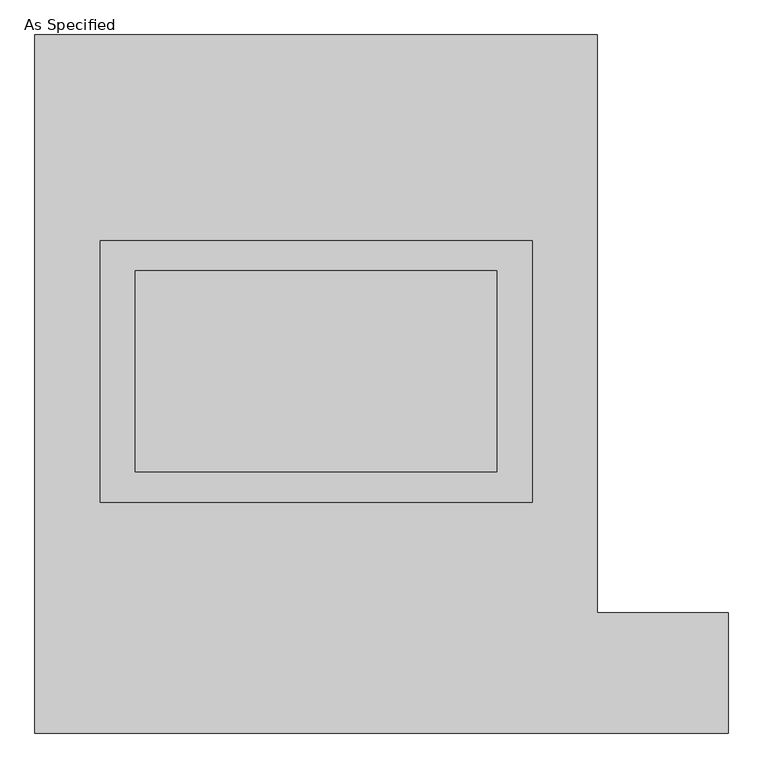
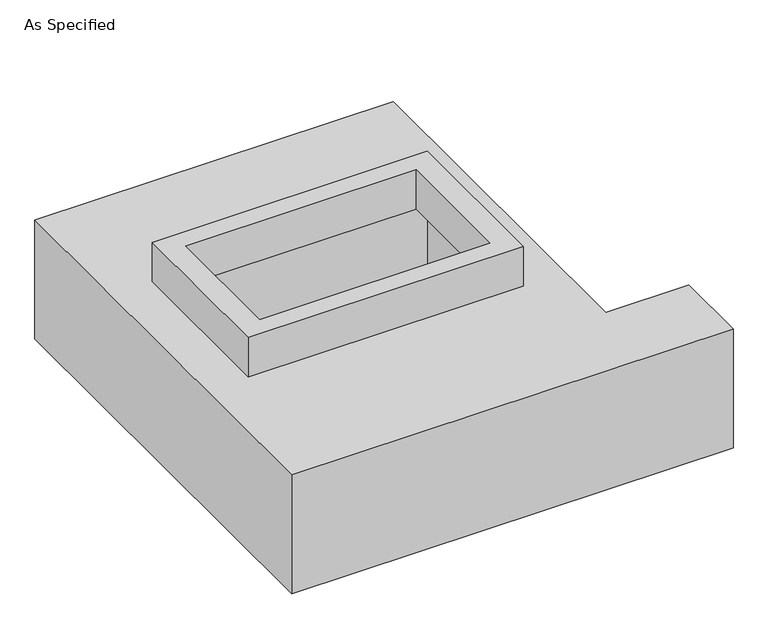
"""IFC4 building model written with IfcOpenShell, lengths in millimetres: proxy geometry, As Specified."""

from ifc_helpers import new_model, si_unit, frame, origin, place, context, project, spatial, polyline, outline, extrude, faceted_brep, source, transform, mapped, element, save


def as_specified_cdc4ad2f(model_context):
    return source(origin(), model_context, "Body", "SolidModel", [
        extrude(outline(polyline([(546.1, 361.95), (546.1, -298.45), (-546.1, -298.45), (-546.1, 361.95), (546.1, 361.95)]), holes=[polyline([(457.2, 285.75), (-457.2, 285.75), (-457.2, -222.25), (457.2, -222.25), (457.2, 285.75)])]), frame((0.0, 0.0, -25.4), z_axis=(0.0, 0.0, 1.0), x_axis=(1.0, 0.0, 0.0)), (0.0, 0.0, 1.0), 165.1),
        faceted_brep([(-711.2, 882.65, -523.875), (711.2, 882.65, -523.875), (711.2, -577.85, -523.875), (1041.4, -577.85, -523.875), (1041.4, -882.65, -523.875), (-711.2, -882.65, -523.875), (711.2, 882.65, -25.4), (-711.2, 882.65, -25.4), (-711.2, -882.65, -25.4), (1041.4, -882.65, -25.4), (1041.4, -577.85, -25.4), (711.2, -577.85, -25.4), (-546.1, -298.45, -25.4), (-546.1, 361.95, -25.4), (546.1, 361.95, -25.4), (546.1, -298.45, -25.4), (546.1, 361.95, -498.475), (-546.1, 361.95, -498.475), (-546.1, -298.45, -498.475), (546.1, -298.45, -498.475)], [[[0, 1, 2, 3, 4, 5]], [[6, 7, 8, 9, 10, 11], [12, 13, 14, 15]], [[1, 0, 7, 6]], [[7, 0, 5, 8]], [[1, 6, 11, 2]], [[16, 17, 18, 19]], [[18, 17, 13, 12]], [[17, 16, 14, 13]], [[16, 19, 15, 14]], [[19, 18, 12, 15]], [[5, 4, 9, 8]], [[3, 2, 11, 10]], [[4, 3, 10, 9]]]),
    ])


if __name__ == "__main__":
    model = new_model("IFC4")
    model_context = context("Model", 3, world=origin())
    ifc_project = project(units=[si_unit("LENGTHUNIT", "METRE", prefix="MILLI")], contexts=[model_context])
    site = spatial("IfcSite", under=ifc_project)
    building = spatial("IfcBuilding", under=site)
    placement = place(None, origin())
    as_specified_shape = as_specified_cdc4ad2f(model_context)
    element("IfcBuildingElementProxy", 1, Name="As Specified", ObjectType="As Specified", at=placement, inside=building, context=model_context, shape_type="MappedRepresentation", body=[
        mapped(as_specified_shape, transform((0.0, 0.0, 0.0), x_axis=(1.0, 0.0, 0.0), y_axis=(0.0, 1.0, 0.0), z_axis=(0.0, 0.0, 1.0))),
    ])
    save(model, "model.ifc")
